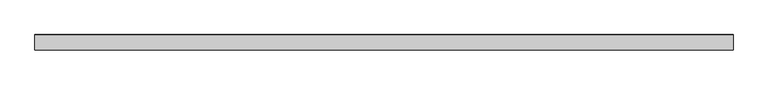
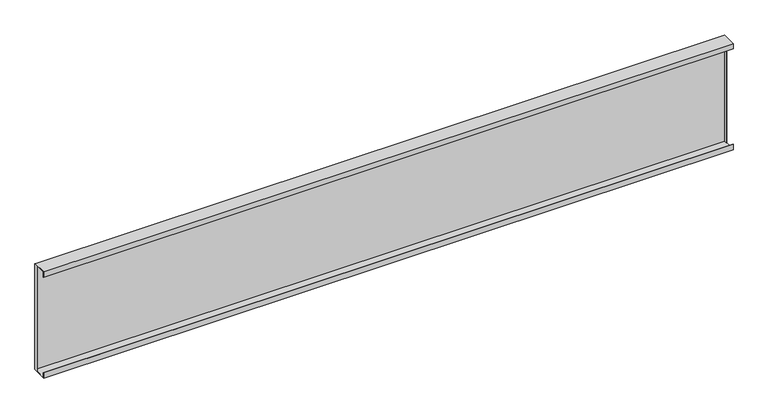
"""IFC4 building model written with IfcOpenShell, lengths in millimetres: plate geometry."""

from ifc_helpers import new_model, si_unit, frame, origin, place, context, project, spatial, polyline, outline, extrude, faceted_brep, source, transform, mapped, element, save


def plate_1303774f(model_context):
    return source(origin(), model_context, "Body", "SolidModel", [
        faceted_brep([(-917.7750002, 39.2, 298.4), (-917.7750002, 30.0, 298.4), (-917.7750002, 30.0, 0.8), (-917.7750002, 39.2, 0.8), (-917.7750002, 39.2, 10.0), (-917.7750002, 40.0, 10.0), (-917.7750002, 40.0, 289.2), (-917.7750002, 39.2, 289.2), (-918.5750002, 30.0, 298.4), (-918.5750002, 30.0, 0.8), (-918.5750002, 38.8, 299.2), (-918.5750002, 40.0, 298.0), (-918.5750002, 40.0, 1.15), (-918.5750002, 38.85, 0.0), (-918.5750002, 0.0, 0.0), (-918.5750002, 0.0, 15.0), (-918.5750002, 0.8, 15.0), (-918.5750002, 0.8, 0.8), (-918.5750002, 0.8, 298.4), (-918.5750002, 0.8, 284.2), (-918.5750002, 0.0, 284.2), (-918.5750002, 0.0, 299.2), (918.5750002, 38.85, 0.0), (918.5750002, 0.0, 0.0), (917.7750002, 38.85, 0.0), (918.5750002, 40.0, 298.0), (918.5750002, 40.0, 1.15), (917.7750002, 40.0, 10.0), (917.7750002, 40.0, 289.2), (918.5750002, 0.0, 299.2), (918.5750002, 38.8, 299.2), (917.7750002, 38.8, 299.2), (918.5750002, 0.0, 284.2), (918.5750002, 0.8, 284.2), (918.5750002, 0.8, 298.4), (918.5750002, 30.0, 298.4), (918.5750002, 30.0, 0.8), (918.5750002, 0.8, 0.8), (918.5750002, 0.8, 15.0), (918.5750002, 0.0, 15.0), (917.7750002, 39.2, 298.4), (917.7750002, 30.0, 298.4), (917.7750002, 39.2, 289.2), (917.7750002, 30.0, 0.8), (917.7750002, 39.2, 0.8), (917.7750002, 39.2, 10.0)], [[[0, 1, 2, 3, 4, 5, 6, 7]], [[1, 8, 9, 2]], [[10, 11, 12, 13, 14, 15, 16, 17, 9, 8, 18, 19, 20, 21]], [[22, 23, 14, 13, 24]], [[12, 11, 25, 26], [5, 27, 28, 6]], [[21, 29, 30, 31, 10]], [[26, 25, 30, 29, 32, 33, 34, 35, 36, 37, 38, 39, 23, 22]], [[32, 29, 21, 20]], [[33, 32, 20, 19]], [[34, 33, 19, 18]], [[34, 18, 8, 1, 0, 40, 41, 35]], [[0, 7, 42, 40]], [[7, 6, 28, 42]], [[23, 39, 15, 14]], [[39, 38, 16, 15]], [[38, 37, 17, 16]], [[17, 37, 36, 43, 44, 3, 2, 9]], [[4, 3, 44, 45]], [[5, 4, 45, 27]], [[13, 12, 26, 22, 24]], [[25, 11, 10, 31, 30]], [[28, 27, 45, 44, 43, 41, 40, 42]], [[36, 35, 41, 43]]]),
        extrude(outline(polyline([(917.7750002, 38.0), (-917.7750002, 38.0), (-917.7750002, 39.5), (917.7750002, 39.5), (917.7750002, 38.0)])), frame((0.0, 0.0, 0.8), z_axis=(0.0, 0.0, 1.0), x_axis=(1.0, 0.0, 0.0)), (0.0, 0.0, 1.0), 297.6),
        extrude(outline(polyline([(917.7750002, 39.2), (-917.7750002, 39.2), (-917.7750002, 40.0), (917.7750002, 40.0), (917.7750002, 39.2)])), frame((0.0, 0.0, 10.0), z_axis=(0.0, 0.0, 1.0), x_axis=(1.0, 0.0, 0.0)), (0.0, 0.0, 1.0), 279.2),
    ])


if __name__ == "__main__":
    model = new_model("IFC4")
    model_context = context("Model", 3, world=origin())
    ifc_project = project(units=[si_unit("LENGTHUNIT", "METRE", prefix="MILLI")], contexts=[model_context])
    site = spatial("IfcSite", under=ifc_project)
    building = spatial("IfcBuilding", under=site)
    placement = place(None, origin())
    plate_shape = plate_1303774f(model_context)
    element("IfcPlate", 1, at=placement, inside=building, context=model_context, shape_type="MappedRepresentation", body=[
        mapped(plate_shape, transform((0.0, 0.0, 0.0), x_axis=(1.0, 0.0, 0.0), y_axis=(0.0, 1.0, 0.0), z_axis=(0.0, 0.0, 1.0))),
    ])
    save(model, "model.ifc")
